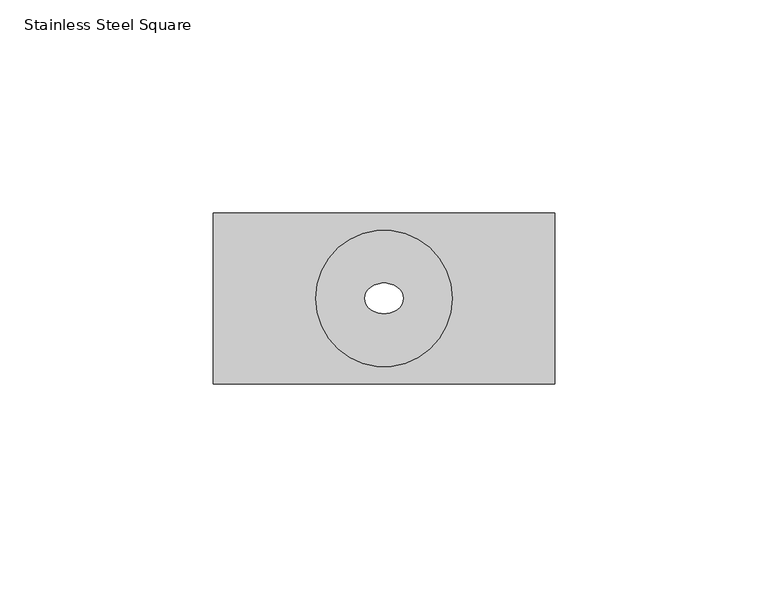
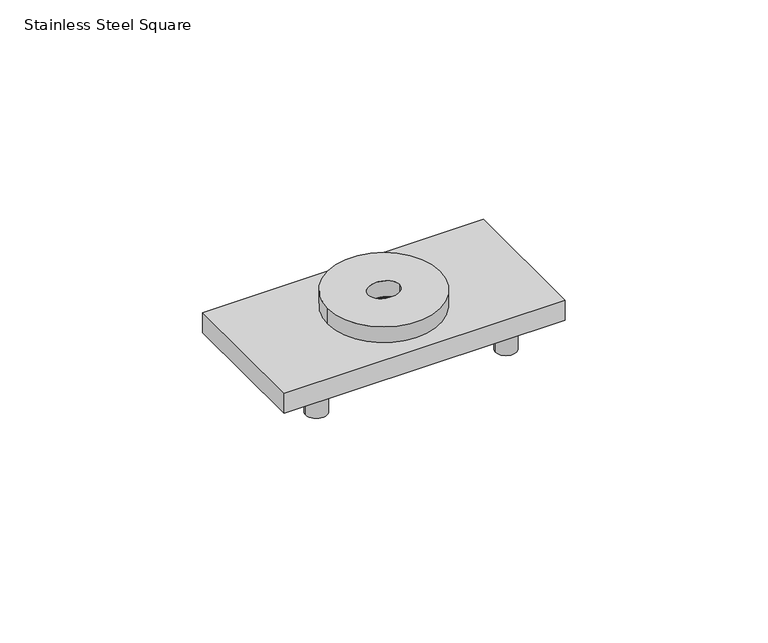
"""IFC4 building model written with IfcOpenShell, lengths in millimetres: proxy geometry, Stainless Steel Square."""

from ifc_helpers import new_model, si_unit, point, frame, frame_2d, origin, origin_with_axes, place, context, project, spatial, circle_curve, ellipse_curve, trimmed, segment, composite_curve, outline, extrude, source, transform, mapped, element, save
from ifc_brep_helpers import plane_surface, cylinder_surface, extruded_surface, advanced_brep


def stainless_steel_square_5995e300(model_context):
    return source(origin(), model_context, "Body", "SolidModel", [
        advanced_brep(
        [(4.495414, 0.0, -6.0), (4.495414, 0.0, 0.0), (-4.495414, 0.0, 0.0), (-4.495414, 0.0, -6.0), (40.0, -20.0, 0.0), (40.0, 20.0, 0.0), (-40.0, 20.0, 0.0), (-40.0, -20.0, 0.0), (40.0, -20.0, -6.0), (-40.0, -20.0, -6.0), (-40.0, 20.0, -6.0), (40.0, 20.0, -6.0)],
        [
            (0, 1),
            (1, 2, ellipse_curve(frame((0.0, 0.0, 0.0), z_axis=(0.0, 0.0, 1.0), x_axis=(-1.0, 0.0, 0.0)), 4.495414, 3.6)),
            (2, 3),
            (3, 0, ellipse_curve(frame((0.0, 0.0, -6.0), z_axis=(0.0, 0.0, -1.0), x_axis=(-1.0, 0.0, 0.0)), 4.495414, 3.6)),
            (0, 3, ellipse_curve(frame((0.0, 0.0, -6.0), z_axis=(0.0, 0.0, -1.0), x_axis=(-1.0, 0.0, 0.0)), 4.495414, 3.6)),
            (2, 1, ellipse_curve(frame((0.0, 0.0, 0.0), z_axis=(0.0, 0.0, 1.0), x_axis=(-1.0, 0.0, 0.0)), 4.495414, 3.6)),
            (4, 5),
            (5, 6),
            (6, 7),
            (7, 4),
            (8, 9),
            (9, 10),
            (10, 11),
            (11, 8),
            (5, 11),
            (10, 6),
            (7, 9),
            (8, 4),
        ],
        [
            extruded_surface(trimmed(ellipse_curve(frame((0.0, 0.0, -6.0), z_axis=(0.0, 0.0, 1.0), x_axis=(-1.0, 0.0, 0.0)), 4.495414, 3.6), [point((4.495414, 0.0, -6.0))], [point((-4.495414, 0.0, -6.0))], True, "CARTESIAN"), (0.0, 0.0, -11.0), 11.0),
            extruded_surface(trimmed(ellipse_curve(frame((0.0, 0.0, -6.0), z_axis=(0.0, 0.0, 1.0), x_axis=(-1.0, 0.0, 0.0)), 4.495414, 3.6), [point((-4.495414, 0.0, -6.0))], [point((4.495414, 0.0, -6.0))], True, "CARTESIAN"), (0.0, 0.0, -11.0), 11.0),
            plane_surface(frame((40.0, 75.4684424, 0.0), z_axis=(0.0, 0.0, 1.0), x_axis=(0.0, 1.0, 0.0))),
            plane_surface(frame((40.0, 75.4684424, -6.0), z_axis=(0.0, 0.0, -1.0), x_axis=(0.0, -1.0, 0.0))),
            plane_surface(frame((40.0, 20.0, 0.0), z_axis=(0.0, 1.0, 0.0), x_axis=(0.0, 0.0, -1.0))),
            plane_surface(frame((-40.0, -20.0, 0.0), z_axis=(0.0, -1.0, 0.0), x_axis=(0.0, 0.0, -1.0))),
            plane_surface(frame((40.0, -20.0, 0.0), z_axis=(1.0, 0.0, 0.0), x_axis=(0.0, 0.0, -1.0))),
            plane_surface(frame((-40.0, 20.0, 0.0), z_axis=(-1.0, 0.0, 0.0), x_axis=(0.0, 0.0, -1.0))),
        ],
        [
            (0, [[1, 2, 3, 4]]),
            (1, [[-1, 5, -3, 6]]),
            (2, [[7, 8, 9, 10], [-2, -6]]),
            (3, [[11, 12, 13, 14], [-4, -5]]),
            (4, [[-8, 15, -13, 16]]),
            (5, [[-10, 17, -11, 18]]),
            (6, [[-7, -18, -14, -15]]),
            (7, [[-9, -16, -12, -17]]),
        ],
    ),
        advanced_brep(
        [(4.495414, 0.0, 0.0), (4.495414, 0.0, 5.0), (-4.495414, 0.0, 5.0), (-4.495414, 0.0, 0.0), (-16.0, 0.0, 5.0), (16.0, 0.0, 5.0), (-16.0, 0.0, 0.0), (16.0, 0.0, 0.0)],
        [
            (0, 1),
            (1, 2, ellipse_curve(frame((0.0, 0.0, 5.0), z_axis=(0.0, 0.0, 1.0), x_axis=(-1.0, 0.0, 0.0)), 4.495414, 3.6)),
            (2, 3),
            (3, 0, ellipse_curve(frame((0.0, 0.0, 0.0), z_axis=(0.0, 0.0, -1.0), x_axis=(-1.0, 0.0, 0.0)), 4.495414, 3.6)),
            (0, 3, ellipse_curve(frame((0.0, 0.0, 0.0), z_axis=(0.0, 0.0, -1.0), x_axis=(-1.0, 0.0, 0.0)), 4.495414, 3.6)),
            (2, 1, ellipse_curve(frame((0.0, 0.0, 5.0), z_axis=(0.0, 0.0, 1.0), x_axis=(-1.0, 0.0, 0.0)), 4.495414, 3.6)),
            (4, 5, circle_curve(frame((0.0, 0.0, 5.0), z_axis=(0.0, 0.0, 1.0), x_axis=(1.0, 0.0, 0.0)), 16.0)),
            (5, 4, circle_curve(frame((0.0, 0.0, 5.0), z_axis=(0.0, 0.0, 1.0), x_axis=(1.0, 0.0, 0.0)), 16.0)),
            (6, 7, circle_curve(frame((0.0, 0.0, 0.0), z_axis=(0.0, 0.0, -1.0), x_axis=(1.0, 0.0, 0.0)), 16.0)),
            (7, 6, circle_curve(frame((0.0, 0.0, 0.0), z_axis=(0.0, 0.0, -1.0), x_axis=(1.0, 0.0, 0.0)), 16.0)),
            (4, 6),
            (7, 5),
        ],
        [
            extruded_surface(trimmed(ellipse_curve(frame((0.0, 0.0, -6.0), z_axis=(0.0, 0.0, 1.0), x_axis=(-1.0, 0.0, 0.0)), 4.495414, 3.6), [point((4.495414, 0.0, -6.0))], [point((-4.495414, 0.0, -6.0))], True, "CARTESIAN"), (0.0, 0.0, -11.0), 11.0),
            extruded_surface(trimmed(ellipse_curve(frame((0.0, 0.0, -6.0), z_axis=(0.0, 0.0, 1.0), x_axis=(-1.0, 0.0, 0.0)), 4.495414, 3.6), [point((-4.495414, 0.0, -6.0))], [point((4.495414, 0.0, -6.0))], True, "CARTESIAN"), (0.0, 0.0, -11.0), 11.0),
            plane_surface(frame((16.0, 0.0, 5.0), z_axis=(0.0, 0.0, 1.0), x_axis=(0.0, 1.0, 0.0))),
            plane_surface(frame((16.0, 0.0, 0.0), z_axis=(0.0, 0.0, -1.0), x_axis=(0.0, -1.0, 0.0))),
            cylinder_surface(origin_with_axes(), 16.0),
        ],
        [
            (0, [[1, 2, 3, 4]]),
            (1, [[-1, 5, -3, 6]]),
            (2, [[7, 8], [-2, -6]]),
            (3, [[9, 10], [-4, -5]]),
            (4, [[-7, 11, -10, 12]]),
            (4, [[-8, -12, -9, -11]]),
        ],
    ),
        extrude(outline(composite_curve([segment(trimmed(circle_curve(frame_2d((-27.0, 13.5)), 3.0), [point((-30.0, 13.5))], [point((-24.0, 13.5))], False, "CARTESIAN"), True, "CONTINUOUS"), segment(trimmed(circle_curve(frame_2d((-27.0, 13.5)), 3.0), [point((-24.0, 13.5))], [point((-30.0, 13.5))], False, "CARTESIAN"), True, "CONTINUOUS")], self_intersect=False)), frame((0.0, 0.0, -14.0), z_axis=(0.0, 0.0, 1.0), x_axis=(1.0, 0.0, 0.0)), (0.0, 0.0, 1.0), 8.0),
        extrude(outline(composite_curve([segment(trimmed(circle_curve(frame_2d((-27.0, -13.5)), 3.0), [point((-30.0, -13.5))], [point((-24.0, -13.5))], False, "CARTESIAN"), True, "CONTINUOUS"), segment(trimmed(circle_curve(frame_2d((-27.0, -13.5)), 3.0), [point((-24.0, -13.5))], [point((-30.0, -13.5))], False, "CARTESIAN"), True, "CONTINUOUS")], self_intersect=False)), frame((0.0, 0.0, -14.0), z_axis=(0.0, 0.0, 1.0), x_axis=(1.0, 0.0, 0.0)), (0.0, 0.0, 1.0), 8.0),
        extrude(outline(composite_curve([segment(trimmed(circle_curve(frame_2d((27.0, 13.5)), 3.0), [point((24.0, 13.5))], [point((30.0, 13.5))], False, "CARTESIAN"), True, "CONTINUOUS"), segment(trimmed(circle_curve(frame_2d((27.0, 13.5)), 3.0), [point((30.0, 13.5))], [point((24.0, 13.5))], False, "CARTESIAN"), True, "CONTINUOUS")], self_intersect=False)), frame((0.0, 0.0, -14.0), z_axis=(0.0, 0.0, 1.0), x_axis=(1.0, 0.0, 0.0)), (0.0, 0.0, 1.0), 8.0),
        extrude(outline(composite_curve([segment(trimmed(circle_curve(frame_2d((27.0, -13.5)), 3.0), [point((24.0, -13.5))], [point((30.0, -13.5))], False, "CARTESIAN"), True, "CONTINUOUS"), segment(trimmed(circle_curve(frame_2d((27.0, -13.5)), 3.0), [point((30.0, -13.5))], [point((24.0, -13.5))], False, "CARTESIAN"), True, "CONTINUOUS")], self_intersect=False)), frame((0.0, 0.0, -14.0), z_axis=(0.0, 0.0, 1.0), x_axis=(1.0, 0.0, 0.0)), (0.0, 0.0, 1.0), 8.0),
    ])


if __name__ == "__main__":
    model = new_model("IFC4")
    model_context = context("Model", 3, world=origin())
    ifc_project = project(units=[si_unit("LENGTHUNIT", "METRE", prefix="MILLI")], contexts=[model_context])
    site = spatial("IfcSite", under=ifc_project)
    building = spatial("IfcBuilding", under=site)
    placement = place(None, origin())
    stainless_steel_square_shape = stainless_steel_square_5995e300(model_context)
    element("IfcBuildingElementProxy", 1, Name="Stainless Steel Square", ObjectType="Stainless Steel Square", at=placement, inside=building, context=model_context, shape_type="MappedRepresentation", body=[
        mapped(stainless_steel_square_shape, transform((0.0, 0.0, 0.0), x_axis=(1.0, 0.0, 0.0), y_axis=(0.0, 1.0, 0.0), z_axis=(0.0, 0.0, 1.0))),
    ])
    save(model, "model.ifc")
